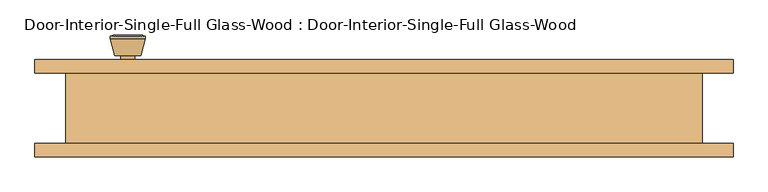
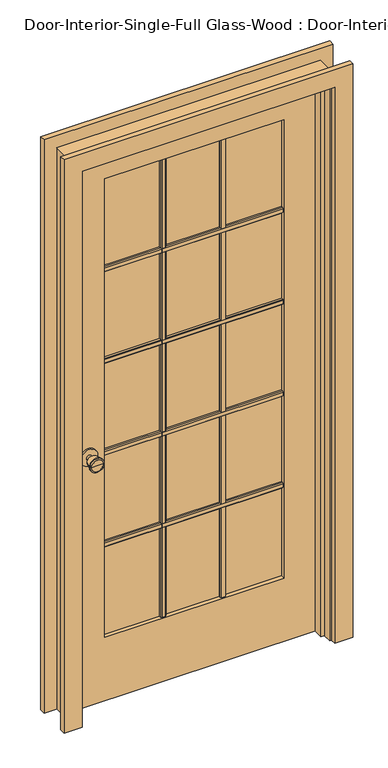
"""IFC4 building model written with IfcOpenShell, lengths in millimetres: door geometry, Door-Interior-Single-Full Glass-Wood : Door-Interior-Single-Full Glass-Wood."""

from ifc_helpers import new_model, si_unit, point, frame, frame_2d, origin, place, context, project, spatial, polyline, circle_curve, trimmed, segment, composite_curve, outline, extrude, faceted_brep, source, transform, mapped, element, save
from ifc_brep_helpers import plane_surface, cylinder_surface, revolved_surface, advanced_brep


def door_interior_single_full_glass_wood_door_interior_single_a35cd925(model_context):
    return source(origin(), model_context, "Body", "SolidModel", [
        extrude(outline(polyline([(33.655, 1586.23), (40.005, 1586.23), (43.18, 1583.055), (43.18, 1570.355), (40.005, 1567.18), (33.655, 1567.18), (33.655, 1586.23)])), frame((-311.15, 0.0, 0.0), z_axis=(1.0, 0.0, 0.0), x_axis=(0.0, 1.0, 0.0)), (0.0, 0.0, 1.0), 622.3),
        extrude(outline(polyline([(33.655, 1249.9975), (40.005, 1249.9975), (43.18, 1246.8225), (43.18, 1234.1225), (40.005, 1230.9475), (33.655, 1230.9475), (33.655, 1249.9975)])), frame((-311.15, 0.0, 0.0), z_axis=(1.0, 0.0, 0.0), x_axis=(0.0, 1.0, 0.0)), (0.0, 0.0, 1.0), 622.3),
        extrude(outline(polyline([(33.655, 913.765), (40.005, 913.765), (43.18, 910.59), (43.18, 897.89), (40.005, 894.715), (33.655, 894.715), (33.655, 913.765)])), frame((-311.15, 0.0, 0.0), z_axis=(1.0, 0.0, 0.0), x_axis=(0.0, 1.0, 0.0)), (0.0, 0.0, 1.0), 622.3),
        extrude(outline(polyline([(33.655, 577.5325), (40.005, 577.5325), (43.18, 574.3575), (43.18, 561.6575), (40.005, 558.4825), (33.655, 558.4825), (33.655, 577.5325)])), frame((-311.15, 0.0, 0.0), z_axis=(1.0, 0.0, 0.0), x_axis=(0.0, 1.0, 0.0)), (0.0, 0.0, 1.0), 622.3),
        extrude(outline(polyline([(94.1916667, 33.655), (94.1916667, 40.005), (97.3666667, 43.18), (110.0666667, 43.18), (113.2416667, 40.005), (113.2416667, 33.655), (94.1916667, 33.655)])), frame((0.0, 0.0, 231.775), z_axis=(0.0, 0.0, 1.0), x_axis=(1.0, 0.0, 0.0)), (0.0, 0.0, 1.0), 1681.1625),
        extrude(outline(polyline([(-113.2416667, 33.655), (-113.2416667, 40.005), (-110.0666667, 43.18), (-97.3666667, 43.18), (-94.1916667, 40.005), (-94.1916667, 33.655), (-113.2416667, 33.655)])), frame((0.0, 0.0, 231.775), z_axis=(0.0, 0.0, 1.0), x_axis=(1.0, 0.0, 0.0)), (0.0, 0.0, 1.0), 1681.1625),
        extrude(outline(polyline([(26.67, 1586.23), (26.67, 1567.18), (20.32, 1567.18), (17.145, 1570.355), (17.145, 1583.055), (20.32, 1586.23), (26.67, 1586.23)])), frame((-311.15, 0.0, 0.0), z_axis=(1.0, 0.0, 0.0), x_axis=(0.0, 1.0, 0.0)), (0.0, 0.0, 1.0), 622.3),
        extrude(outline(polyline([(26.67, 1249.9975), (26.67, 1230.9475), (20.32, 1230.9475), (17.145, 1234.1225), (17.145, 1246.8225), (20.32, 1249.9975), (26.67, 1249.9975)])), frame((-311.15, 0.0, 0.0), z_axis=(1.0, 0.0, 0.0), x_axis=(0.0, 1.0, 0.0)), (0.0, 0.0, 1.0), 622.3),
        extrude(outline(polyline([(26.67, 913.765), (26.67, 894.715), (20.32, 894.715), (17.145, 897.89), (17.145, 910.59), (20.32, 913.765), (26.67, 913.765)])), frame((-311.15, 0.0, 0.0), z_axis=(1.0, 0.0, 0.0), x_axis=(0.0, 1.0, 0.0)), (0.0, 0.0, 1.0), 622.3),
        extrude(outline(polyline([(26.67, 577.5325), (26.67, 558.4825), (20.32, 558.4825), (17.145, 561.6575), (17.145, 574.3575), (20.32, 577.5325), (26.67, 577.5325)])), frame((-311.15, 0.0, 0.0), z_axis=(1.0, 0.0, 0.0), x_axis=(0.0, 1.0, 0.0)), (0.0, 0.0, 1.0), 622.3),
        extrude(outline(polyline([(94.1916667, 26.67), (113.2416667, 26.67), (113.2416667, 20.32), (110.0666667, 17.145), (97.3666667, 17.145), (94.1916667, 20.32), (94.1916667, 26.67)])), frame((0.0, 0.0, 231.775), z_axis=(0.0, 0.0, 1.0), x_axis=(1.0, 0.0, 0.0)), (0.0, 0.0, 1.0), 1681.1625),
        extrude(outline(polyline([(-113.2416667, 26.67), (-94.1916667, 26.67), (-94.1916667, 20.32), (-97.3666667, 17.145), (-110.0666667, 17.145), (-113.2416667, 20.32), (-113.2416667, 26.67)])), frame((0.0, 0.0, 231.775), z_axis=(0.0, 0.0, 1.0), x_axis=(1.0, 0.0, 0.0)), (0.0, 0.0, 1.0), 1681.1625),
        advanced_brep(
        [(-368.3, 6.7, 914.4), (-358.3, 6.7, 914.4), (-378.3, 6.7, 914.4), (-347.8241324, -42.3, 914.4), (-368.3, -42.3, 914.4), (-388.7758676, -42.3, 914.4), (-343.3, -40.4721319, 914.4), (-393.3, -40.4721319, 914.4), (-343.3, -37.0084537, 914.4), (-393.3, -37.0084537, 914.4), (-349.663764, -12.3, 914.4), (-386.936236, -12.3, 914.4), (-358.3, -12.3, 914.4), (-378.3, -12.3, 914.4)],
        [
            (0, 1),
            (1, 2, circle_curve(frame((-368.3, 6.7, 914.4), z_axis=(0.0, 1.0, 0.0), x_axis=(-1.0, 0.0, 0.0)), 10.0)),
            (2, 0),
            (2, 1, circle_curve(frame((-368.3, 6.7, 914.4), z_axis=(0.0, 1.0, 0.0), x_axis=(-1.0, 0.0, 0.0)), 10.0)),
            (3, 4),
            (4, 5),
            (5, 3, circle_curve(frame((-368.3, -42.3, 914.4), z_axis=(0.0, -1.0, 0.0), x_axis=(-1.0, 0.0, 0.0)), 20.4758676)),
            (3, 5, circle_curve(frame((-368.3, -42.3, 914.4), z_axis=(0.0, -1.0, 0.0), x_axis=(-1.0, 0.0, 0.0)), 20.4758676)),
            (6, 3),
            (5, 7),
            (7, 6, circle_curve(frame((-368.3, -40.4721319, 914.4), z_axis=(0.0, -1.0, 0.0), x_axis=(-1.0, 0.0, 0.0)), 25.0)),
            (6, 7, circle_curve(frame((-368.3, -40.4721319, 914.4), z_axis=(0.0, -1.0, 0.0), x_axis=(-1.0, 0.0, 0.0)), 25.0)),
            (8, 6),
            (7, 9),
            (9, 8, circle_curve(frame((-368.3, -37.0084537, 914.4), z_axis=(0.0, -1.0, 0.0), x_axis=(-1.0, 0.0, 0.0)), 25.0)),
            (8, 9, circle_curve(frame((-368.3, -37.0084537, 914.4), z_axis=(0.0, -1.0, 0.0), x_axis=(-1.0, 0.0, 0.0)), 25.0)),
            (10, 8),
            (9, 11),
            (11, 10, circle_curve(frame((-368.3, -12.3, 914.4), z_axis=(0.0, -1.0, 0.0), x_axis=(-1.0, 0.0, 0.0)), 18.636236)),
            (10, 11, circle_curve(frame((-368.3, -12.3, 914.4), z_axis=(0.0, -1.0, 0.0), x_axis=(-1.0, 0.0, 0.0)), 18.636236)),
            (12, 10),
            (11, 13),
            (13, 12, circle_curve(frame((-368.3, -12.3, 914.4), z_axis=(0.0, -1.0, 0.0), x_axis=(-1.0, 0.0, 0.0)), 10.0)),
            (12, 13, circle_curve(frame((-368.3, -12.3, 914.4), z_axis=(0.0, -1.0, 0.0), x_axis=(-1.0, 0.0, 0.0)), 10.0)),
            (1, 12),
            (13, 2),
        ],
        [
            plane_surface(frame((-368.3, 6.7, 914.4), z_axis=(0.0, 1.0, 0.0), x_axis=(-1.0, 0.0, 0.0))),
            plane_surface(frame((-368.3, -42.3, 914.4), z_axis=(0.0, -1.0, 0.0), x_axis=(-1.0, 0.0, 0.0))),
            revolved_surface(polyline([(-388.7758676, -42.3, 914.4), (-393.3, -40.4721319, 914.4)]), (-368.3, 6.7, 914.4), (0.0, 1.0, 0.0)),
            cylinder_surface(frame((-368.3, 6.7, 914.4), z_axis=(0.0, 1.0, 0.0), x_axis=(-1.0, 0.0, 0.0)), 25.0),
            revolved_surface(polyline([(-393.3, -37.0084537, 914.4), (-386.936236, -12.3, 914.4)]), (-368.3, 6.7, 914.4), (0.0, 1.0, 0.0)),
            plane_surface(frame((-368.3, -12.3, 914.4), z_axis=(0.0, 1.0, 0.0), x_axis=(-1.0, 0.0, 0.0))),
            cylinder_surface(frame((-368.3, 6.7, 914.4), z_axis=(0.0, 1.0, 0.0), x_axis=(-1.0, 0.0, 0.0)), 10.0),
        ],
        [
            (0, [[1, 2, 3]]),
            (0, [[-3, 4, -1]]),
            (1, [[5, 6, 7]]),
            (1, [[-6, -5, 8]]),
            (2, [[9, -7, 10, 11]]),
            (2, [[-10, -8, -9, 12]]),
            (3, [[13, -11, 14, 15]]),
            (3, [[-14, -12, -13, 16]]),
            (4, [[17, -15, 18, 19]]),
            (4, [[-18, -16, -17, 20]]),
            (5, [[21, -19, 22, 23]]),
            (5, [[-22, -20, -21, 24]]),
            (6, [[25, -23, 26, -2]]),
            (6, [[-26, -24, -25, -4]]),
        ],
    ),
        extrude(outline(composite_curve([segment(trimmed(circle_curve(frame_2d((914.4, -368.3)), 30.0), [point((914.4, -398.3))], [point((914.4, -338.3))], False, "CARTESIAN"), True, "CONTINUOUS"), segment(trimmed(circle_curve(frame_2d((914.4, -368.3)), 30.0), [point((914.4, -338.3))], [point((914.4, -398.3))], False, "CARTESIAN"), True, "CONTINUOUS")], self_intersect=False)), frame((0.0, 6.7, 0.0), z_axis=(0.0, 1.0, 0.0), x_axis=(0.0, 0.0, 1.0)), (0.0, 0.0, 1.0), 6.0),
        advanced_brep(
        [(-368.3, 53.625, 914.4), (-378.3, 53.625, 914.4), (-358.3, 53.625, 914.4), (-347.8241324, 102.625, 914.4), (-388.7758676, 102.625, 914.4), (-368.3, 102.625, 914.4), (-343.3, 100.7971319, 914.4), (-393.3, 100.7971319, 914.4), (-343.3, 97.3334537, 914.4), (-393.3, 97.3334537, 914.4), (-349.663764, 72.625, 914.4), (-386.936236, 72.625, 914.4), (-358.3, 72.625, 914.4), (-378.3, 72.625, 914.4)],
        [
            (0, 1),
            (1, 2, circle_curve(frame((-368.3, 53.625, 914.4), z_axis=(0.0, -1.0, 0.0), x_axis=(-1.0, 0.0, 0.0)), 10.0)),
            (2, 0),
            (2, 1, circle_curve(frame((-368.3, 53.625, 914.4), z_axis=(0.0, -1.0, 0.0), x_axis=(-1.0, 0.0, 0.0)), 10.0)),
            (3, 4, circle_curve(frame((-368.3, 102.625, 914.4), z_axis=(0.0, 1.0, 0.0), x_axis=(-1.0, 0.0, 0.0)), 20.4758676)),
            (4, 5),
            (5, 3),
            (4, 3, circle_curve(frame((-368.3, 102.625, 914.4), z_axis=(0.0, 1.0, 0.0), x_axis=(-1.0, 0.0, 0.0)), 20.4758676)),
            (6, 7, circle_curve(frame((-368.3, 100.7971319, 914.4), z_axis=(0.0, 1.0, 0.0), x_axis=(-1.0, 0.0, 0.0)), 25.0)),
            (7, 4),
            (3, 6),
            (7, 6, circle_curve(frame((-368.3, 100.7971319, 914.4), z_axis=(0.0, 1.0, 0.0), x_axis=(-1.0, 0.0, 0.0)), 25.0)),
            (8, 9, circle_curve(frame((-368.3, 97.3334537, 914.4), z_axis=(0.0, 1.0, 0.0), x_axis=(-1.0, 0.0, 0.0)), 25.0)),
            (9, 7),
            (6, 8),
            (9, 8, circle_curve(frame((-368.3, 97.3334537, 914.4), z_axis=(0.0, 1.0, 0.0), x_axis=(-1.0, 0.0, 0.0)), 25.0)),
            (10, 11, circle_curve(frame((-368.3, 72.625, 914.4), z_axis=(0.0, 1.0, 0.0), x_axis=(-1.0, 0.0, 0.0)), 18.636236)),
            (11, 9),
            (8, 10),
            (11, 10, circle_curve(frame((-368.3, 72.625, 914.4), z_axis=(0.0, 1.0, 0.0), x_axis=(-1.0, 0.0, 0.0)), 18.636236)),
            (12, 13, circle_curve(frame((-368.3, 72.625, 914.4), z_axis=(0.0, 1.0, 0.0), x_axis=(-1.0, 0.0, 0.0)), 10.0)),
            (13, 11),
            (10, 12),
            (13, 12, circle_curve(frame((-368.3, 72.625, 914.4), z_axis=(0.0, 1.0, 0.0), x_axis=(-1.0, 0.0, 0.0)), 10.0)),
            (1, 13),
            (12, 2),
        ],
        [
            plane_surface(frame((-368.3, 53.625, 914.4), z_axis=(0.0, -1.0, 0.0), x_axis=(-1.0, 0.0, 0.0))),
            plane_surface(frame((-368.3, 102.625, 914.4), z_axis=(0.0, 1.0, 0.0), x_axis=(-1.0, 0.0, 0.0))),
            revolved_surface(polyline([(-388.7758676, 102.625, 914.4), (-393.3, 100.7971319, 914.4)]), (-368.3, 53.625, 914.4), (0.0, -1.0, 0.0)),
            cylinder_surface(frame((-368.3, 53.625, 914.4), z_axis=(0.0, -1.0, 0.0), x_axis=(-1.0, 0.0, 0.0)), 25.0),
            revolved_surface(polyline([(-393.3, 97.3334537, 914.4), (-386.936236, 72.625, 914.4)]), (-368.3, 53.625, 914.4), (0.0, -1.0, 0.0)),
            plane_surface(frame((-368.3, 72.625, 914.4), z_axis=(0.0, -1.0, 0.0), x_axis=(-1.0, 0.0, 0.0))),
            cylinder_surface(frame((-368.3, 53.625, 914.4), z_axis=(0.0, -1.0, 0.0), x_axis=(-1.0, 0.0, 0.0)), 10.0),
        ],
        [
            (0, [[1, 2, 3]]),
            (0, [[-3, 4, -1]]),
            (1, [[5, 6, 7]]),
            (1, [[8, -7, -6]]),
            (2, [[9, 10, -5, 11]]),
            (2, [[12, -11, -8, -10]]),
            (3, [[13, 14, -9, 15]]),
            (3, [[16, -15, -12, -14]]),
            (4, [[17, 18, -13, 19]]),
            (4, [[20, -19, -16, -18]]),
            (5, [[21, 22, -17, 23]]),
            (5, [[24, -23, -20, -22]]),
            (6, [[-2, 25, -21, 26]]),
            (6, [[-4, -26, -24, -25]]),
        ],
    ),
        extrude(outline(composite_curve([segment(trimmed(circle_curve(frame_2d((914.4, -368.3)), 30.0), [point((914.4, -398.3))], [point((914.4, -338.3))], False, "CARTESIAN"), True, "CONTINUOUS"), segment(trimmed(circle_curve(frame_2d((914.4, -368.3)), 30.0), [point((914.4, -338.3))], [point((914.4, -398.3))], False, "CARTESIAN"), True, "CONTINUOUS")], self_intersect=False)), frame((0.0, 47.625, 0.0), z_axis=(0.0, 1.0, 0.0), x_axis=(0.0, 0.0, 1.0)), (0.0, 0.0, 1.0), 6.0),
        extrude(outline(polyline([(2032.0, -431.8), (0.0, -431.8), (0.0, 431.8), (2032.0, 431.8), (2032.0, -431.8)]), holes=[polyline([(1912.9375, -311.15), (1912.9375, 311.15), (231.775, 311.15), (231.775, -311.15), (1912.9375, -311.15)])]), frame((0.0, 12.7, 0.0), z_axis=(0.0, 1.0, 0.0), x_axis=(0.0, 0.0, 1.0)), (0.0, 0.0, 1.0), 34.925),
        faceted_brep([(457.2, 47.625, 0.0), (457.2, -53.975, 0.0), (431.8, -53.975, 0.0), (431.8, -22.225, 0.0), (419.1, -22.225, 0.0), (419.1, 12.7, 0.0), (431.8, 12.7, 0.0), (431.8, 47.625, 0.0), (457.2, 47.625, 2057.4), (457.2, -53.975, 2057.4), (-457.2, -53.975, 2057.4), (-457.2, -53.975, 0.0), (-431.8, -53.975, 0.0), (-431.8, -53.975, 2032.0), (431.8, -53.975, 2032.0), (431.8, -22.225, 2032.0), (-431.8, -22.225, 2032.0), (-431.8, -22.225, 0.0), (-419.1, -22.225, 0.0), (-419.1, -22.225, 2019.3), (419.1, -22.225, 2019.3), (419.1, 12.7, 2019.3), (-419.1, 12.7, 2019.3), (-419.1, 12.7, 0.0), (-431.8, 12.7, 0.0), (-431.8, 12.7, 2032.0), (431.8, 12.7, 2032.0), (431.8, 47.625, 2032.0), (-431.8, 47.625, 2032.0), (-431.8, 47.625, 0.0), (-457.2, 47.625, 0.0), (-457.2, 47.625, 2057.4)], [[[0, 1, 2, 3, 4, 5, 6, 7]], [[1, 0, 8, 9]], [[2, 1, 9, 10, 11, 12, 13, 14]], [[3, 2, 14, 15]], [[4, 3, 15, 16, 17, 18, 19, 20]], [[5, 4, 20, 21]], [[6, 5, 21, 22, 23, 24, 25, 26]], [[7, 6, 26, 27]], [[0, 7, 27, 28, 29, 30, 31, 8]], [[9, 8, 31, 10]], [[15, 14, 13, 16]], [[21, 20, 19, 22]], [[27, 26, 25, 28]], [[30, 29, 24, 23, 18, 17, 12, 11]], [[10, 31, 30, 11]], [[16, 13, 12, 17]], [[22, 19, 18, 23]], [[28, 25, 24, 29]]]),
        extrude(outline(polyline([(311.15, 26.67), (-311.15, 26.67), (-311.15, 33.655), (311.15, 33.655), (311.15, 26.67)])), frame((0.0, 0.0, 231.775), z_axis=(0.0, 0.0, 1.0), x_axis=(1.0, 0.0, 0.0)), (0.0, 0.0, 1.0), 1681.1625),
        extrude(outline(polyline([(0.0, 438.15), (0.0, 501.65), (2101.85, 501.65), (2101.85, -501.65), (0.0, -501.65), (0.0, -438.15), (2038.35, -438.15), (2038.35, 438.15), (0.0, 438.15)])), frame((0.0, -73.025, 0.0), z_axis=(0.0, 1.0, 0.0), x_axis=(0.0, 0.0, 1.0)), (0.0, 0.0, 1.0), 19.05),
        extrude(outline(polyline([(0.0, 438.15), (0.0, 501.65), (2101.85, 501.65), (2101.85, -501.65), (0.0, -501.65), (0.0, -438.15), (2038.35, -438.15), (2038.35, 438.15), (0.0, 438.15)])), frame((0.0, 47.625, 0.0), z_axis=(0.0, 1.0, 0.0), x_axis=(0.0, 0.0, 1.0)), (0.0, 0.0, 1.0), 19.05),
    ])


if __name__ == "__main__":
    model = new_model("IFC4")
    model_context = context("Model", 3, world=origin())
    ifc_project = project(units=[si_unit("LENGTHUNIT", "METRE", prefix="MILLI")], contexts=[model_context])
    site = spatial("IfcSite", under=ifc_project)
    building = spatial("IfcBuilding", under=site)
    placement = place(None, origin())
    door_interior_single_full_glass_wood_door_interior_single_shape = door_interior_single_full_glass_wood_door_interior_single_a35cd925(model_context)
    element("IfcDoor", 1, ObjectType="Door-Interior-Single-Full Glass-Wood : Door-Interior-Single-Full Glass-Wood", at=placement, inside=building, context=model_context, shape_type="MappedRepresentation", body=[
        mapped(door_interior_single_full_glass_wood_door_interior_single_shape, transform((0.0, 0.0, 0.0), x_axis=(1.0, 0.0, 0.0), y_axis=(0.0, 1.0, 0.0), z_axis=(0.0, 0.0, 1.0))),
    ])
    save(model, "model.ifc")
